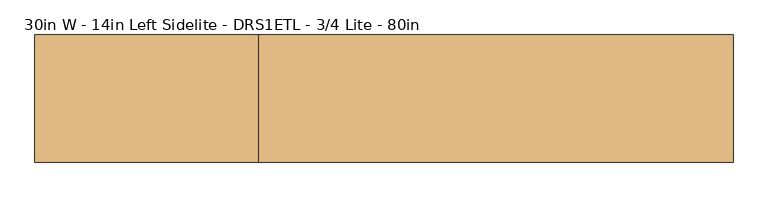
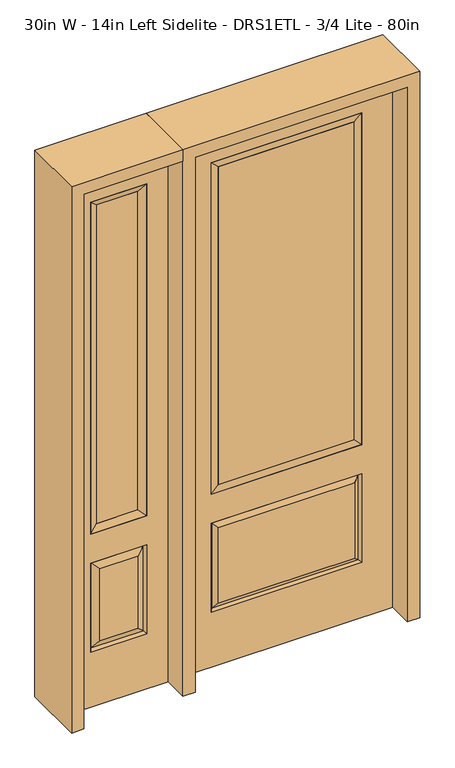
"""IFC4 building model written with IfcOpenShell, lengths in millimetres: door geometry, 30in W - 14in Left Sidelite - DRS1ETL - 3/4 Lite - 80in."""

from ifc_helpers import new_model, si_unit, frame, origin, place, context, project, spatial, polyline, outline, extrude, faceted_brep, source, transform, mapped, element, save


def door_30in_w_14in_left_sidelite_drs1etl_3_4_lite_80in_b3f39e63(model_context):
    return source(origin(), model_context, "Body", "SolidModel", [
        faceted_brep([(-781.05, -22.225, 0.0), (-425.45, -22.225, 0.0), (-425.45, -22.225, 2032.0), (-781.05, -22.225, 2032.0), (-502.92, -22.225, 1919.224), (-502.92, -22.225, 657.098), (-703.58, -22.225, 657.098), (-703.58, -22.225, 1919.224), (-502.92, -22.225, 209.55), (-703.58, -22.225, 209.55), (-703.58, -22.225, 546.1), (-502.92, -22.225, 546.1), (-671.8648999, -22.225, 241.2651001), (-534.6351001, -22.225, 241.2651001), (-534.6351001, -22.225, 514.3848999), (-671.8648999, -22.225, 514.3848999), (-781.05, 22.225, 0.0), (-781.05, 22.225, 2032.0), (-425.45, 22.225, 2032.0), (-425.45, 22.225, 0.0), (-502.92, 22.225, 1919.224), (-703.58, 22.225, 1919.224), (-703.58, 22.225, 657.098), (-502.92, 22.225, 657.098), (-703.58, 22.225, 209.55), (-502.92, 22.225, 209.55), (-502.92, 22.225, 546.1), (-703.58, 22.225, 546.1), (-534.6351001, 22.225, 241.2651001), (-671.8648999, 22.225, 241.2651001), (-671.8648999, 22.225, 514.3848999), (-534.6351001, 22.225, 514.3848999), (-510.0288501, 12.7912373, 216.6588501), (-696.4711499, 12.7912373, 216.6588501), (-696.4711499, 12.7912373, 538.9911499), (-510.0288501, 12.7912373, 538.9911499), (-696.4711499, -12.7912373, 216.6588501), (-510.0288501, -12.7912373, 216.6588501), (-696.4711499, -12.7912373, 538.9911499), (-510.0288501, -12.7912373, 538.9911499)], [[[0, 1, 2, 3], [4, 5, 6, 7], [8, 9, 10, 11]], [[12, 13, 14, 15]], [[16, 17, 18, 19], [20, 21, 22, 23], [24, 25, 26, 27]], [[28, 29, 30, 31]], [[1, 0, 16, 19]], [[2, 1, 19, 18]], [[3, 2, 18, 17]], [[0, 3, 17, 16]], [[5, 4, 20, 23]], [[6, 5, 23, 22]], [[7, 6, 22, 21]], [[4, 7, 21, 20]], [[32, 33, 29, 28]], [[33, 32, 25, 24]], [[29, 33, 34, 30]], [[33, 24, 27, 34]], [[30, 34, 35, 31]], [[34, 27, 26, 35]], [[32, 28, 31, 35]], [[25, 32, 35, 26]], [[12, 36, 37, 13]], [[37, 36, 9, 8]], [[36, 12, 15, 38]], [[9, 36, 38, 10]], [[38, 15, 14, 39]], [[10, 38, 39, 11]], [[13, 37, 39, 14]], [[37, 8, 11, 39]]]),
        faceted_brep([(-703.58, 22.225, 1919.224), (-703.58, -22.225, 1919.224), (-502.92, -22.225, 1919.224), (-502.92, 22.225, 1919.224), (-678.18, 12.7, 1893.824), (-528.32, 12.7, 1893.824), (-678.18, -12.7, 1893.824), (-528.32, -12.7, 1893.824), (-502.92, -22.225, 657.098), (-502.92, 22.225, 657.098), (-528.32, 12.7, 682.498), (-528.32, -12.7, 682.498), (-703.58, -22.225, 657.098), (-703.58, 22.225, 657.098), (-678.18, 12.7, 682.498), (-678.18, -12.7, 682.498)], [[[0, 1, 2, 3]], [[4, 0, 3, 5]], [[6, 4, 5, 7]], [[1, 6, 7, 2]], [[3, 2, 8, 9]], [[5, 3, 9, 10]], [[7, 5, 10, 11]], [[2, 7, 11, 8]], [[9, 8, 12, 13]], [[10, 9, 13, 14]], [[11, 10, 14, 15]], [[8, 11, 15, 12]], [[13, 12, 1, 0]], [[14, 13, 0, 4]], [[15, 14, 4, 6]], [[12, 15, 6, 1]]]),
        extrude(outline(polyline([(-528.32, -12.7), (-678.18, -12.7), (-678.18, 12.7), (-528.32, 12.7), (-528.32, -12.7)])), frame((0.0, 0.0, 682.498), z_axis=(0.0, 0.0, 1.0), x_axis=(1.0, 0.0, 0.0)), (0.0, 0.0, 1.0), 1211.326),
        faceted_brep([(-262.7661499, -12.7912373, 216.6588501), (262.7661499, -12.7912373, 216.6588501), (245.26875, -22.225, 234.15625), (-245.26875, -22.225, 234.15625), (-269.875, -22.225, 209.55), (269.875, -22.225, 209.55), (-262.7661499, -12.7912373, 538.9911499), (-269.875, -22.225, 546.1), (245.26875, -22.225, 521.49375), (-245.26875, -22.225, 521.49375), (381.0, -22.225, 2032.0), (-381.0, -22.225, 2032.0), (-381.0, -22.225, 0.0), (381.0, -22.225, 0.0), (269.875, -22.225, 546.1), (269.875, -22.225, 1917.7), (269.875, -22.225, 657.098), (-269.875, -22.225, 657.098), (-269.875, -22.225, 1917.7), (262.7661499, -12.7912373, 538.9911499), (-381.0, 22.225, 2032.0), (-381.0, 22.225, 0.0), (381.0, 22.225, 0.0), (381.0, 22.225, 2032.0), (269.875, 22.225, 1917.7), (269.875, 22.225, 657.098), (-269.875, 22.225, 657.098), (-269.875, 22.225, 1917.7), (-269.875, 22.225, 209.55), (269.875, 22.225, 209.55), (269.875, 22.225, 546.1), (-269.875, 22.225, 546.1), (245.26875, 22.225, 234.15625), (-245.26875, 22.225, 234.15625), (-245.26875, 22.225, 521.49375), (245.26875, 22.225, 521.49375), (-262.7661499, 12.7912373, 216.6588501), (262.7661499, 12.7912373, 216.6588501), (262.7661499, 12.7912373, 538.9911499), (-262.7661499, 12.7912373, 538.9911499)], [[[0, 1, 2, 3]], [[1, 0, 4, 5]], [[4, 0, 6, 7]], [[3, 2, 8, 9]], [[10, 11, 12, 13], [5, 4, 7, 14], [15, 16, 17, 18]], [[1, 5, 14, 19]], [[2, 1, 19, 8]], [[0, 3, 9, 6]], [[7, 6, 19, 14]], [[6, 9, 8, 19]], [[12, 11, 20, 21]], [[13, 12, 21, 22]], [[10, 13, 22, 23]], [[16, 15, 24, 25]], [[17, 16, 25, 26]], [[18, 17, 26, 27]], [[23, 22, 21, 20], [28, 29, 30, 31], [24, 27, 26, 25]], [[32, 33, 34, 35]], [[28, 36, 37, 29]], [[29, 37, 38, 30]], [[39, 31, 30, 38]], [[36, 28, 31, 39]], [[37, 36, 33, 32]], [[33, 36, 39, 34]], [[34, 39, 38, 35]], [[37, 32, 35, 38]], [[11, 10, 23, 20]], [[15, 18, 27, 24]]]),
        faceted_brep([(-269.875, -22.225, 1917.7), (-269.875, 22.225, 1917.7), (-269.875, 22.225, 657.098), (-269.875, -22.225, 657.098), (269.875, 22.225, 657.098), (269.875, -22.225, 657.098), (-244.475, 5.08, 682.498), (244.475, 5.08, 682.498), (269.875, 22.225, 1917.7), (269.875, -22.225, 1917.7), (-244.475, -20.32, 682.498), (244.475, -20.32, 682.498), (-244.475, -20.32, 1892.3), (244.475, -20.32, 1892.3), (-244.475, 5.08, 1892.3), (244.475, 5.08, 1892.3)], [[[0, 1, 2, 3]], [[3, 2, 4, 5]], [[2, 6, 7, 4]], [[5, 4, 8, 9]], [[10, 3, 5, 11]], [[12, 0, 3, 10]], [[11, 5, 9, 13]], [[6, 10, 11, 7]], [[14, 12, 10, 6]], [[7, 11, 13, 15]], [[1, 14, 6, 2]], [[4, 7, 15, 8]], [[9, 8, 1, 0]], [[13, 9, 0, 12]], [[15, 13, 12, 14]], [[8, 15, 14, 1]]]),
        extrude(outline(polyline([(244.475, -20.32), (-244.475, -20.32), (-244.475, 5.08), (244.475, 5.08), (244.475, -20.32)])), frame((0.0, 0.0, 682.498), z_axis=(0.0, 0.0, 1.0), x_axis=(1.0, 0.0, 0.0)), (0.0, 0.0, 1.0), 1209.802),
        extrude(outline(polyline([(2032.0, -425.45), (2076.45, -425.45), (2076.45, -825.5), (0.0, -825.5), (0.0, -781.05), (2032.0, -781.05), (2032.0, -425.45)])), frame((0.0, -114.3, 0.0), z_axis=(0.0, 1.0, 0.0), x_axis=(0.0, 0.0, 1.0)), (0.0, 0.0, 1.0), 228.6),
        extrude(outline(polyline([(2076.45, -425.45), (0.0, -425.45), (0.0, -381.0), (2032.0, -381.0), (2032.0, 381.0), (0.0, 381.0), (0.0, 425.45), (2076.45, 425.45), (2076.45, -425.45)])), frame((0.0, -114.3, 0.0), z_axis=(0.0, 1.0, 0.0), x_axis=(0.0, 0.0, 1.0)), (0.0, 0.0, 1.0), 228.6),
    ])


if __name__ == "__main__":
    model = new_model("IFC4")
    model_context = context("Model", 3, world=origin())
    ifc_project = project(units=[si_unit("LENGTHUNIT", "METRE", prefix="MILLI")], contexts=[model_context])
    site = spatial("IfcSite", under=ifc_project)
    building = spatial("IfcBuilding", under=site)
    placement = place(None, origin())
    door_30in_w_14in_left_sidelite_drs1etl_3_4_lite_80in_shape = door_30in_w_14in_left_sidelite_drs1etl_3_4_lite_80in_b3f39e63(model_context)
    element("IfcDoor", 1, ObjectType="30in W - 14in Left Sidelite - DRS1ETL - 3/4 Lite - 80in", at=placement, inside=building, context=model_context, shape_type="MappedRepresentation", body=[
        mapped(door_30in_w_14in_left_sidelite_drs1etl_3_4_lite_80in_shape, transform((0.0, 0.0, 0.0), x_axis=(1.0, 0.0, 0.0), y_axis=(0.0, 1.0, 0.0), z_axis=(0.0, 0.0, 1.0))),
    ])
    save(model, "model.ifc")
